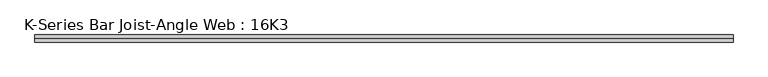
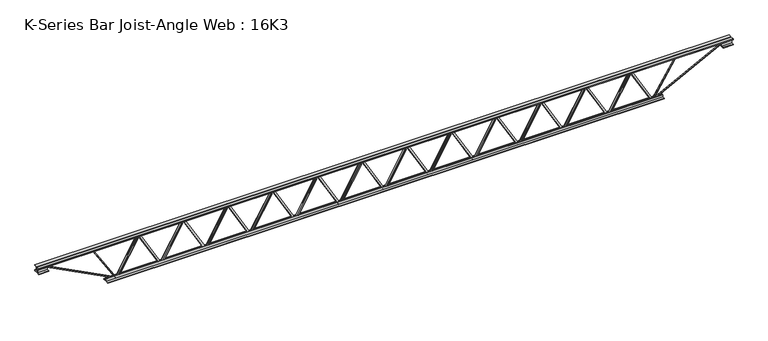
"""IFC4 building model written with IfcOpenShell, lengths in millimetres: beam geometry, K-Series Bar Joist-Angle Web : 16K3."""

from ifc_helpers import new_model, si_unit, frame, origin, place, context, project, spatial, polyline, outline, extrude, faceted_brep, source, transform, mapped, element, save


def k_series_bar_joist_angle_web_16k3_5579938f(model_context):
    return source(origin(), model_context, "Body", "SolidModel", [
        extrude(outline(polyline([(-4.7625, 4.7625001), (-4.7625, 0.0), (-17.4625, 0.0), (-17.4625, 4.7625001), (-4.7625, 4.7625001)])), frame((2277.9329481, 0.0, -165.1), z_axis=(-0.4971119927200672, 0.0, 0.8676863872931764), x_axis=(0.0, -1.0, 0.0)), (0.0, 0.0, 1.0), 380.552242),
        extrude(outline(polyline([(-200.025, 2309.8125), (-180.975, 2309.8125), (-180.975, 2308.9829373), (200.025, 2090.7016873), (200.025, 2072.48125), (180.975, 2072.48125), (180.975, 2079.6608127), (-200.025, 2297.9420627), (-200.025, 2309.8125)])), frame((0.0, 0.0, 0.0), z_axis=(0.0, 1.0, 0.0), x_axis=(0.0, 0.0, 1.0)), (0.0, 0.0, 1.0), 4.7625),
        faceted_brep([(1847.85, 0.0, -180.975), (1847.85, 0.0, -200.025), (1847.85, -4.7625, -200.025), (1847.85, -4.7625, -180.975), (1848.6795627, 0.0, -180.975), (2066.9608127, 0.0, 200.025), (2085.18125, 0.0, 200.025), (2085.18125, 0.0, 180.975), (2078.0016873, 0.0, 180.975), (1859.7204373, 0.0, -200.025), (1859.7204373, -4.7625, -200.025), (1879.7295519, -4.7625, -165.1), (1875.5971954, -4.7625, -162.7325041), (2064.7742788, -4.7625, 167.4674959), (2068.9066352, -4.7625, 165.1), (2078.0016873, -4.7625, 180.975), (2085.18125, -4.7625, 180.975), (2085.18125, -4.7625, 200.025), (2066.9608127, -4.7625, 200.025), (1848.6795627, -4.7625, -180.975), (2068.9066352, -17.4625, 165.1), (1879.7295519, -17.4625, -165.1), (1875.5971954, -17.4625, -162.7325041), (2064.7742788, -17.4625, 167.4674959)], [[[0, 1, 2, 3]], [[1, 0, 4, 5, 6, 7, 8, 9]], [[2, 1, 9, 10]], [[3, 2, 10, 11, 12, 13, 14, 15, 16, 17, 18, 19]], [[0, 3, 19, 4]], [[9, 8, 15, 14, 20, 21, 11, 10]], [[5, 4, 19, 18]], [[7, 6, 17, 16]], [[8, 7, 16, 15]], [[6, 5, 18, 17]], [[21, 22, 12, 11]], [[20, 14, 13, 23]], [[22, 21, 20, 23]], [[12, 22, 23, 13]]]),
        extrude(outline(polyline([(-4.7625, 4.7625001), (-4.7625, 0.0), (-17.4625, 0.0), (-17.4625, 4.7625001), (-4.7625, 4.7625001)])), frame((1815.9704481, 0.0, -165.1), z_axis=(-0.4971119927200672, 0.0, 0.8676863872931764), x_axis=(0.0, -1.0, 0.0)), (0.0, 0.0, 1.0), 380.552242),
        extrude(outline(polyline([(-200.025, 1847.85), (-180.975, 1847.85), (-180.975, 1847.0204373), (200.025, 1628.7391873), (200.025, 1610.51875), (180.975, 1610.51875), (180.975, 1617.6983127), (-200.025, 1835.9795627), (-200.025, 1847.85)])), frame((0.0, 0.0, 0.0), z_axis=(0.0, 1.0, 0.0), x_axis=(0.0, 0.0, 1.0)), (0.0, 0.0, 1.0), 4.7625),
        faceted_brep([(1385.8875, 0.0, -180.975), (1385.8875, 0.0, -200.025), (1385.8875, -4.7625, -200.025), (1385.8875, -4.7625, -180.975), (1386.7170627, 0.0, -180.975), (1604.9983127, 0.0, 200.025), (1623.21875, 0.0, 200.025), (1623.21875, 0.0, 180.975), (1616.0391873, 0.0, 180.975), (1397.7579373, 0.0, -200.025), (1397.7579373, -4.7625, -200.025), (1417.7670519, -4.7625, -165.1), (1413.6346954, -4.7625, -162.7325041), (1602.8117788, -4.7625, 167.4674959), (1606.9441352, -4.7625, 165.1), (1616.0391873, -4.7625, 180.975), (1623.21875, -4.7625, 180.975), (1623.21875, -4.7625, 200.025), (1604.9983127, -4.7625, 200.025), (1386.7170627, -4.7625, -180.975), (1606.9441352, -17.4625, 165.1), (1417.7670519, -17.4625, -165.1), (1413.6346954, -17.4625, -162.7325041), (1602.8117788, -17.4625, 167.4674959)], [[[0, 1, 2, 3]], [[1, 0, 4, 5, 6, 7, 8, 9]], [[2, 1, 9, 10]], [[3, 2, 10, 11, 12, 13, 14, 15, 16, 17, 18, 19]], [[0, 3, 19, 4]], [[9, 8, 15, 14, 20, 21, 11, 10]], [[5, 4, 19, 18]], [[7, 6, 17, 16]], [[8, 7, 16, 15]], [[6, 5, 18, 17]], [[21, 22, 12, 11]], [[20, 14, 13, 23]], [[22, 21, 20, 23]], [[12, 22, 23, 13]]]),
        extrude(outline(polyline([(-4.7625, 4.7625001), (-4.7625, 0.0), (-17.4625, 0.0), (-17.4625, 4.7625001), (-4.7625, 4.7625001)])), frame((1354.0079481, 0.0, -165.1), z_axis=(-0.4971119927200672, 0.0, 0.8676863872931764), x_axis=(0.0, -1.0, 0.0)), (0.0, 0.0, 1.0), 380.552242),
        extrude(outline(polyline([(-200.025, 1385.8875), (-180.975, 1385.8875), (-180.975, 1385.0579373), (200.025, 1166.7766873), (200.025, 1148.55625), (180.975, 1148.55625), (180.975, 1155.7358127), (-200.025, 1374.0170627), (-200.025, 1385.8875)])), frame((0.0, 0.0, 0.0), z_axis=(0.0, 1.0, 0.0), x_axis=(0.0, 0.0, 1.0)), (0.0, 0.0, 1.0), 4.7625),
        faceted_brep([(923.925, 0.0, -180.975), (923.925, 0.0, -200.025), (923.925, -4.7625, -200.025), (923.925, -4.7625, -180.975), (924.7545627, 0.0, -180.975), (1143.0358127, 0.0, 200.025), (1161.25625, 0.0, 200.025), (1161.25625, 0.0, 180.975), (1154.0766873, 0.0, 180.975), (935.7954373, 0.0, -200.025), (935.7954373, -4.7625, -200.025), (955.8045519, -4.7625, -165.1), (951.6721954, -4.7625, -162.7325041), (1140.8492788, -4.7625, 167.4674959), (1144.9816352, -4.7625, 165.1), (1154.0766873, -4.7625, 180.975), (1161.25625, -4.7625, 180.975), (1161.25625, -4.7625, 200.025), (1143.0358127, -4.7625, 200.025), (924.7545627, -4.7625, -180.975), (1144.9816352, -17.4625, 165.1), (955.8045519, -17.4625, -165.1), (951.6721954, -17.4625, -162.7325041), (1140.8492788, -17.4625, 167.4674959)], [[[0, 1, 2, 3]], [[1, 0, 4, 5, 6, 7, 8, 9]], [[2, 1, 9, 10]], [[3, 2, 10, 11, 12, 13, 14, 15, 16, 17, 18, 19]], [[0, 3, 19, 4]], [[9, 8, 15, 14, 20, 21, 11, 10]], [[5, 4, 19, 18]], [[7, 6, 17, 16]], [[8, 7, 16, 15]], [[6, 5, 18, 17]], [[21, 22, 12, 11]], [[20, 14, 13, 23]], [[22, 21, 20, 23]], [[12, 22, 23, 13]]]),
        extrude(outline(polyline([(-4.7625, 4.7625001), (-4.7625, 0.0), (-17.4625, 0.0), (-17.4625, 4.7625001), (-4.7625, 4.7625001)])), frame((892.0454481, 0.0, -165.1), z_axis=(-0.4971119927200672, 0.0, 0.8676863872931764), x_axis=(0.0, -1.0, 0.0)), (0.0, 0.0, 1.0), 380.552242),
        extrude(outline(polyline([(-200.025, 923.925), (-180.975, 923.925), (-180.975, 923.0954373), (200.025, 704.8141873), (200.025, 686.59375), (180.975, 686.59375), (180.975, 693.7733127), (-200.025, 912.0545627), (-200.025, 923.925)])), frame((0.0, 0.0, 0.0), z_axis=(0.0, 1.0, 0.0), x_axis=(0.0, 0.0, 1.0)), (0.0, 0.0, 1.0), 4.7625),
        faceted_brep([(461.9625, 0.0, -180.975), (461.9625, 0.0, -200.025), (461.9625, -4.7625, -200.025), (461.9625, -4.7625, -180.975), (462.7920627, 0.0, -180.975), (681.0733127, 0.0, 200.025), (699.29375, 0.0, 200.025), (699.29375, 0.0, 180.975), (692.1141873, 0.0, 180.975), (473.8329373, 0.0, -200.025), (473.8329373, -4.7625, -200.025), (493.8420519, -4.7625, -165.1), (489.7096954, -4.7625, -162.7325041), (678.8867788, -4.7625, 167.4674959), (683.0191352, -4.7625, 165.1), (692.1141873, -4.7625, 180.975), (699.29375, -4.7625, 180.975), (699.29375, -4.7625, 200.025), (681.0733127, -4.7625, 200.025), (462.7920627, -4.7625, -180.975), (683.0191352, -17.4625, 165.1), (493.8420519, -17.4625, -165.1), (489.7096954, -17.4625, -162.7325041), (678.8867788, -17.4625, 167.4674959)], [[[0, 1, 2, 3]], [[1, 0, 4, 5, 6, 7, 8, 9]], [[2, 1, 9, 10]], [[3, 2, 10, 11, 12, 13, 14, 15, 16, 17, 18, 19]], [[0, 3, 19, 4]], [[9, 8, 15, 14, 20, 21, 11, 10]], [[5, 4, 19, 18]], [[7, 6, 17, 16]], [[8, 7, 16, 15]], [[6, 5, 18, 17]], [[21, 22, 12, 11]], [[20, 14, 13, 23]], [[22, 21, 20, 23]], [[12, 22, 23, 13]]]),
        extrude(outline(polyline([(-4.7625, 4.7625001), (-4.7625, 0.0), (-17.4625, 0.0), (-17.4625, 4.7625001), (-4.7625, 4.7625001)])), frame((430.0829481, 0.0, -165.1), z_axis=(-0.4971119927200672, 0.0, 0.8676863872931764), x_axis=(0.0, -1.0, 0.0)), (0.0, 0.0, 1.0), 380.552242),
        extrude(outline(polyline([(-200.025, 461.9625), (-180.975, 461.9625), (-180.975, 461.1329373), (200.025, 242.8516873), (200.025, 224.63125), (180.975, 224.63125), (180.975, 231.8108127), (-200.025, 450.0920627), (-200.025, 461.9625)])), frame((0.0, 0.0, 0.0), z_axis=(0.0, 1.0, 0.0), x_axis=(0.0, 0.0, 1.0)), (0.0, 0.0, 1.0), 4.7625),
        faceted_brep([(0.0, 0.0, -180.975), (0.0, 0.0, -200.025), (0.0, -4.7625, -200.025), (0.0, -4.7625, -180.975), (0.8295627, 0.0, -180.975), (219.1108127, 0.0, 200.025), (237.33125, 0.0, 200.025), (237.33125, 0.0, 180.975), (230.1516873, 0.0, 180.975), (11.8704373, 0.0, -200.025), (11.8704373, -4.7625, -200.025), (31.8795519, -4.7625, -165.1), (27.7471954, -4.7625, -162.7325041), (216.9242788, -4.7625, 167.4674959), (221.0566352, -4.7625, 165.1), (230.1516873, -4.7625, 180.975), (237.33125, -4.7625, 180.975), (237.33125, -4.7625, 200.025), (219.1108127, -4.7625, 200.025), (0.8295627, -4.7625, -180.975), (221.0566352, -17.4625, 165.1), (31.8795519, -17.4625, -165.1), (27.7471954, -17.4625, -162.7325041), (216.9242788, -17.4625, 167.4674959)], [[[0, 1, 2, 3]], [[1, 0, 4, 5, 6, 7, 8, 9]], [[2, 1, 9, 10]], [[3, 2, 10, 11, 12, 13, 14, 15, 16, 17, 18, 19]], [[0, 3, 19, 4]], [[9, 8, 15, 14, 20, 21, 11, 10]], [[5, 4, 19, 18]], [[7, 6, 17, 16]], [[8, 7, 16, 15]], [[6, 5, 18, 17]], [[21, 22, 12, 11]], [[20, 14, 13, 23]], [[22, 21, 20, 23]], [[12, 22, 23, 13]]]),
        extrude(outline(polyline([(-4.7625, 4.7625001), (-4.7625, 0.0), (-17.4625, 0.0), (-17.4625, 4.7625001), (-4.7625, 4.7625001)])), frame((-31.8795519, 0.0, -165.1), z_axis=(-0.4971119927200672, 0.0, 0.8676863872931764), x_axis=(0.0, -1.0, 0.0)), (0.0, 0.0, 1.0), 380.552242),
        extrude(outline(polyline([(-200.025, 0.0), (-180.975, 0.0), (-180.975, -0.8295627), (200.025, -219.1108127), (200.025, -237.33125), (180.975, -237.33125), (180.975, -230.1516873), (-200.025, -11.8704373), (-200.025, 0.0)])), frame((0.0, 0.0, 0.0), z_axis=(0.0, 1.0, 0.0), x_axis=(0.0, 0.0, 1.0)), (0.0, 0.0, 1.0), 4.7625),
        faceted_brep([(-461.9625, 0.0, -180.975), (-461.9625, 0.0, -200.025), (-461.9625, -4.7625, -200.025), (-461.9625, -4.7625, -180.975), (-461.1329373, 0.0, -180.975), (-242.8516873, 0.0, 200.025), (-224.63125, 0.0, 200.025), (-224.63125, 0.0, 180.975), (-231.8108127, 0.0, 180.975), (-450.0920627, 0.0, -200.025), (-450.0920627, -4.7625, -200.025), (-430.0829481, -4.7625, -165.1), (-434.2153046, -4.7625, -162.7325041), (-245.0382212, -4.7625, 167.4674959), (-240.9058648, -4.7625, 165.1), (-231.8108127, -4.7625, 180.975), (-224.63125, -4.7625, 180.975), (-224.63125, -4.7625, 200.025), (-242.8516873, -4.7625, 200.025), (-461.1329373, -4.7625, -180.975), (-240.9058648, -17.4625, 165.1), (-430.0829481, -17.4625, -165.1), (-434.2153046, -17.4625, -162.7325041), (-245.0382212, -17.4625, 167.4674959)], [[[0, 1, 2, 3]], [[1, 0, 4, 5, 6, 7, 8, 9]], [[2, 1, 9, 10]], [[3, 2, 10, 11, 12, 13, 14, 15, 16, 17, 18, 19]], [[0, 3, 19, 4]], [[9, 8, 15, 14, 20, 21, 11, 10]], [[5, 4, 19, 18]], [[7, 6, 17, 16]], [[8, 7, 16, 15]], [[6, 5, 18, 17]], [[21, 22, 12, 11]], [[20, 14, 13, 23]], [[22, 21, 20, 23]], [[12, 22, 23, 13]]]),
        extrude(outline(polyline([(-4.7625, 4.7625001), (-4.7625, 0.0), (-17.4625, 0.0), (-17.4625, 4.7625001), (-4.7625, 4.7625001)])), frame((-493.8420519, 0.0, -165.1), z_axis=(-0.4971119927200672, 0.0, 0.8676863872931764), x_axis=(0.0, -1.0, 0.0)), (0.0, 0.0, 1.0), 380.552242),
        extrude(outline(polyline([(-200.025, -461.9625), (-180.975, -461.9625), (-180.975, -462.7920627), (200.025, -681.0733127), (200.025, -699.29375), (180.975, -699.29375), (180.975, -692.1141873), (-200.025, -473.8329373), (-200.025, -461.9625)])), frame((0.0, 0.0, 0.0), z_axis=(0.0, 1.0, 0.0), x_axis=(0.0, 0.0, 1.0)), (0.0, 0.0, 1.0), 4.7625),
        faceted_brep([(-923.925, 0.0, -180.975), (-923.925, 0.0, -200.025), (-923.925, -4.7625, -200.025), (-923.925, -4.7625, -180.975), (-923.0954373, 0.0, -180.975), (-704.8141873, 0.0, 200.025), (-686.59375, 0.0, 200.025), (-686.59375, 0.0, 180.975), (-693.7733127, 0.0, 180.975), (-912.0545627, 0.0, -200.025), (-912.0545627, -4.7625, -200.025), (-892.0454481, -4.7625, -165.1), (-896.1778046, -4.7625, -162.7325041), (-707.0007212, -4.7625, 167.4674959), (-702.8683648, -4.7625, 165.1), (-693.7733127, -4.7625, 180.975), (-686.59375, -4.7625, 180.975), (-686.59375, -4.7625, 200.025), (-704.8141873, -4.7625, 200.025), (-923.0954373, -4.7625, -180.975), (-702.8683648, -17.4625, 165.1), (-892.0454481, -17.4625, -165.1), (-896.1778046, -17.4625, -162.7325041), (-707.0007212, -17.4625, 167.4674959)], [[[0, 1, 2, 3]], [[1, 0, 4, 5, 6, 7, 8, 9]], [[2, 1, 9, 10]], [[3, 2, 10, 11, 12, 13, 14, 15, 16, 17, 18, 19]], [[0, 3, 19, 4]], [[9, 8, 15, 14, 20, 21, 11, 10]], [[5, 4, 19, 18]], [[7, 6, 17, 16]], [[8, 7, 16, 15]], [[6, 5, 18, 17]], [[21, 22, 12, 11]], [[20, 14, 13, 23]], [[22, 21, 20, 23]], [[12, 22, 23, 13]]]),
        extrude(outline(polyline([(-4.7625, 4.7625001), (-4.7625, 0.0), (-17.4625, 0.0), (-17.4625, 4.7625001), (-4.7625, 4.7625001)])), frame((-955.8045519, 0.0, -165.1), z_axis=(-0.4971119927200672, 0.0, 0.8676863872931764), x_axis=(0.0, -1.0, 0.0)), (0.0, 0.0, 1.0), 380.552242),
        extrude(outline(polyline([(-200.025, -923.925), (-180.975, -923.925), (-180.975, -924.7545627), (200.025, -1143.0358127), (200.025, -1161.25625), (180.975, -1161.25625), (180.975, -1154.0766873), (-200.025, -935.7954373), (-200.025, -923.925)])), frame((0.0, 0.0, 0.0), z_axis=(0.0, 1.0, 0.0), x_axis=(0.0, 0.0, 1.0)), (0.0, 0.0, 1.0), 4.7625),
        faceted_brep([(-1385.8875, 0.0, -180.975), (-1385.8875, 0.0, -200.025), (-1385.8875, -4.7625, -200.025), (-1385.8875, -4.7625, -180.975), (-1385.0579373, 0.0, -180.975), (-1166.7766873, 0.0, 200.025), (-1148.55625, 0.0, 200.025), (-1148.55625, 0.0, 180.975), (-1155.7358127, 0.0, 180.975), (-1374.0170627, 0.0, -200.025), (-1374.0170627, -4.7625, -200.025), (-1354.0079481, -4.7625, -165.1), (-1358.1403046, -4.7625, -162.7325041), (-1168.9632212, -4.7625, 167.4674959), (-1164.8308648, -4.7625, 165.1), (-1155.7358127, -4.7625, 180.975), (-1148.55625, -4.7625, 180.975), (-1148.55625, -4.7625, 200.025), (-1166.7766873, -4.7625, 200.025), (-1385.0579373, -4.7625, -180.975), (-1164.8308648, -17.4625, 165.1), (-1354.0079481, -17.4625, -165.1), (-1358.1403046, -17.4625, -162.7325041), (-1168.9632212, -17.4625, 167.4674959)], [[[0, 1, 2, 3]], [[1, 0, 4, 5, 6, 7, 8, 9]], [[2, 1, 9, 10]], [[3, 2, 10, 11, 12, 13, 14, 15, 16, 17, 18, 19]], [[0, 3, 19, 4]], [[9, 8, 15, 14, 20, 21, 11, 10]], [[5, 4, 19, 18]], [[7, 6, 17, 16]], [[8, 7, 16, 15]], [[6, 5, 18, 17]], [[21, 22, 12, 11]], [[20, 14, 13, 23]], [[22, 21, 20, 23]], [[12, 22, 23, 13]]]),
        extrude(outline(polyline([(-4.7625, 4.7625001), (-4.7625, 0.0), (-17.4625, 0.0), (-17.4625, 4.7625001), (-4.7625, 4.7625001)])), frame((-1417.7670519, 0.0, -165.1), z_axis=(-0.4971119927200672, 0.0, 0.8676863872931764), x_axis=(0.0, -1.0, 0.0)), (0.0, 0.0, 1.0), 380.552242),
        extrude(outline(polyline([(-200.025, -1385.8875), (-180.975, -1385.8875), (-180.975, -1386.7170627), (200.025, -1604.9983127), (200.025, -1623.21875), (180.975, -1623.21875), (180.975, -1616.0391873), (-200.025, -1397.7579373), (-200.025, -1385.8875)])), frame((0.0, 0.0, 0.0), z_axis=(0.0, 1.0, 0.0), x_axis=(0.0, 0.0, 1.0)), (0.0, 0.0, 1.0), 4.7625),
        faceted_brep([(-1847.85, 0.0, -180.975), (-1847.85, 0.0, -200.025), (-1847.85, -4.7625, -200.025), (-1847.85, -4.7625, -180.975), (-1847.0204373, 0.0, -180.975), (-1628.7391873, 0.0, 200.025), (-1610.51875, 0.0, 200.025), (-1610.51875, 0.0, 180.975), (-1617.6983127, 0.0, 180.975), (-1835.9795627, 0.0, -200.025), (-1835.9795627, -4.7625, -200.025), (-1815.9704481, -4.7625, -165.1), (-1820.1028046, -4.7625, -162.7325041), (-1630.9257212, -4.7625, 167.4674959), (-1626.7933648, -4.7625, 165.1), (-1617.6983127, -4.7625, 180.975), (-1610.51875, -4.7625, 180.975), (-1610.51875, -4.7625, 200.025), (-1628.7391873, -4.7625, 200.025), (-1847.0204373, -4.7625, -180.975), (-1626.7933648, -17.4625, 165.1), (-1815.9704481, -17.4625, -165.1), (-1820.1028046, -17.4625, -162.7325041), (-1630.9257212, -17.4625, 167.4674959)], [[[0, 1, 2, 3]], [[1, 0, 4, 5, 6, 7, 8, 9]], [[2, 1, 9, 10]], [[3, 2, 10, 11, 12, 13, 14, 15, 16, 17, 18, 19]], [[0, 3, 19, 4]], [[9, 8, 15, 14, 20, 21, 11, 10]], [[5, 4, 19, 18]], [[7, 6, 17, 16]], [[8, 7, 16, 15]], [[6, 5, 18, 17]], [[21, 22, 12, 11]], [[20, 14, 13, 23]], [[22, 21, 20, 23]], [[12, 22, 23, 13]]]),
        extrude(outline(polyline([(-4.7625, 4.7625001), (-4.7625, 0.0), (-17.4625, 0.0), (-17.4625, 4.7625001), (-4.7625, 4.7625001)])), frame((-1879.7295519, 0.0, -165.1), z_axis=(-0.4971119927200672, 0.0, 0.8676863872931764), x_axis=(0.0, -1.0, 0.0)), (0.0, 0.0, 1.0), 380.552242),
        extrude(outline(polyline([(-200.025, -1847.85), (-180.975, -1847.85), (-180.975, -1848.6795627), (200.025, -2066.9608127), (200.025, -2085.18125), (180.975, -2085.18125), (180.975, -2078.0016873), (-200.025, -1859.7204373), (-200.025, -1847.85)])), frame((0.0, 0.0, 0.0), z_axis=(0.0, 1.0, 0.0), x_axis=(0.0, 0.0, 1.0)), (0.0, 0.0, 1.0), 4.7625),
        faceted_brep([(-2309.8125, 0.0, -180.975), (-2309.8125, 0.0, -200.025), (-2309.8125, -4.7625, -200.025), (-2309.8125, -4.7625, -180.975), (-2308.9829373, 0.0, -180.975), (-2090.7016873, 0.0, 200.025), (-2072.48125, 0.0, 200.025), (-2072.48125, 0.0, 180.975), (-2079.6608127, 0.0, 180.975), (-2297.9420627, 0.0, -200.025), (-2297.9420627, -4.7625, -200.025), (-2277.9329481, -4.7625, -165.1), (-2282.0653046, -4.7625, -162.7325041), (-2092.8882212, -4.7625, 167.4674959), (-2088.7558648, -4.7625, 165.1), (-2079.6608127, -4.7625, 180.975), (-2072.48125, -4.7625, 180.975), (-2072.48125, -4.7625, 200.025), (-2090.7016873, -4.7625, 200.025), (-2308.9829373, -4.7625, -180.975), (-2088.7558648, -17.4625, 165.1), (-2277.9329481, -17.4625, -165.1), (-2282.0653046, -17.4625, -162.7325041), (-2092.8882212, -17.4625, 167.4674959)], [[[0, 1, 2, 3]], [[1, 0, 4, 5, 6, 7, 8, 9]], [[2, 1, 9, 10]], [[3, 2, 10, 11, 12, 13, 14, 15, 16, 17, 18, 19]], [[0, 3, 19, 4]], [[9, 8, 15, 14, 20, 21, 11, 10]], [[5, 4, 19, 18]], [[7, 6, 17, 16]], [[8, 7, 16, 15]], [[6, 5, 18, 17]], [[21, 22, 12, 11]], [[20, 14, 13, 23]], [[22, 21, 20, 23]], [[12, 22, 23, 13]]]),
        extrude(outline(polyline([(-4.7625, 4.7625001), (-4.7625, 0.0), (-17.4625, 0.0), (-17.4625, 4.7625001), (-4.7625, 4.7625001)])), frame((2739.8954481, 0.0, -165.1), z_axis=(-0.4971119927200672, 0.0, 0.8676863872931764), x_axis=(0.0, -1.0, 0.0)), (0.0, 0.0, 1.0), 380.552242),
        extrude(outline(polyline([(-200.025, 2771.775), (-180.975, 2771.775), (-180.975, 2770.9454373), (200.025, 2552.6641873), (200.025, 2534.44375), (180.975, 2534.44375), (180.975, 2541.6233127), (-200.025, 2759.9045627), (-200.025, 2771.775)])), frame((0.0, 0.0, 0.0), z_axis=(0.0, 1.0, 0.0), x_axis=(0.0, 0.0, 1.0)), (0.0, 0.0, 1.0), 4.7625),
        faceted_brep([(2309.8125, 0.0, -180.975), (2309.8125, 0.0, -200.025), (2309.8125, -4.7625, -200.025), (2309.8125, -4.7625, -180.975), (2310.6420627, 0.0, -180.975), (2528.9233127, 0.0, 200.025), (2547.14375, 0.0, 200.025), (2547.14375, 0.0, 180.975), (2539.9641873, 0.0, 180.975), (2321.6829373, 0.0, -200.025), (2321.6829373, -4.7625, -200.025), (2341.6920519, -4.7625, -165.1), (2337.5596954, -4.7625, -162.7325041), (2526.7367788, -4.7625, 167.4674959), (2530.8691352, -4.7625, 165.1), (2539.9641873, -4.7625, 180.975), (2547.14375, -4.7625, 180.975), (2547.14375, -4.7625, 200.025), (2528.9233127, -4.7625, 200.025), (2310.6420627, -4.7625, -180.975), (2530.8691352, -17.4625, 165.1), (2341.6920519, -17.4625, -165.1), (2337.5596954, -17.4625, -162.7325041), (2526.7367788, -17.4625, 167.4674959)], [[[0, 1, 2, 3]], [[1, 0, 4, 5, 6, 7, 8, 9]], [[2, 1, 9, 10]], [[3, 2, 10, 11, 12, 13, 14, 15, 16, 17, 18, 19]], [[0, 3, 19, 4]], [[9, 8, 15, 14, 20, 21, 11, 10]], [[5, 4, 19, 18]], [[7, 6, 17, 16]], [[8, 7, 16, 15]], [[6, 5, 18, 17]], [[21, 22, 12, 11]], [[20, 14, 13, 23]], [[22, 21, 20, 23]], [[12, 22, 23, 13]]]),
        extrude(outline(polyline([(-4.7625, 4.7625001), (-4.7625, 0.0), (-17.4625, 0.0), (-17.4625, 4.7625001), (-4.7625, 4.7625001)])), frame((-2341.6920519, 0.0, -165.1), z_axis=(-0.4971119927200672, 0.0, 0.8676863872931764), x_axis=(0.0, -1.0, 0.0)), (0.0, 0.0, 1.0), 380.552242),
        extrude(outline(polyline([(-200.025, -2309.8125), (-180.975, -2309.8125), (-180.975, -2310.6420627), (200.025, -2528.9233127), (200.025, -2547.14375), (180.975, -2547.14375), (180.975, -2539.9641873), (-200.025, -2321.6829373), (-200.025, -2309.8125)])), frame((0.0, 0.0, 0.0), z_axis=(0.0, 1.0, 0.0), x_axis=(0.0, 0.0, 1.0)), (0.0, 0.0, 1.0), 4.7625),
        faceted_brep([(-2771.775, 0.0, -180.975), (-2771.775, 0.0, -200.025), (-2771.775, -4.7625, -200.025), (-2771.775, -4.7625, -180.975), (-2770.9454373, 0.0, -180.975), (-2552.6641873, 0.0, 200.025), (-2534.44375, 0.0, 200.025), (-2534.44375, 0.0, 180.975), (-2541.6233127, 0.0, 180.975), (-2759.9045627, 0.0, -200.025), (-2759.9045627, -4.7625, -200.025), (-2739.8954481, -4.7625, -165.1), (-2744.0278046, -4.7625, -162.7325041), (-2554.8507212, -4.7625, 167.4674959), (-2550.7183648, -4.7625, 165.1), (-2541.6233127, -4.7625, 180.975), (-2534.44375, -4.7625, 180.975), (-2534.44375, -4.7625, 200.025), (-2552.6641873, -4.7625, 200.025), (-2770.9454373, -4.7625, -180.975), (-2550.7183648, -17.4625, 165.1), (-2739.8954481, -17.4625, -165.1), (-2744.0278046, -17.4625, -162.7325041), (-2554.8507212, -17.4625, 167.4674959)], [[[0, 1, 2, 3]], [[1, 0, 4, 5, 6, 7, 8, 9]], [[2, 1, 9, 10]], [[3, 2, 10, 11, 12, 13, 14, 15, 16, 17, 18, 19]], [[0, 3, 19, 4]], [[9, 8, 15, 14, 20, 21, 11, 10]], [[5, 4, 19, 18]], [[7, 6, 17, 16]], [[8, 7, 16, 15]], [[6, 5, 18, 17]], [[21, 22, 12, 11]], [[20, 14, 13, 23]], [[22, 21, 20, 23]], [[12, 22, 23, 13]]]),
        extrude(outline(polyline([(4.7625, 203.2), (36.5125, 203.2), (36.5125, 196.85), (11.1125, 196.85), (11.1125, 171.45), (4.7625, 171.45), (4.7625, 203.2)])), frame((-3584.575, 0.0, 0.0), z_axis=(1.0, 0.0, 0.0), x_axis=(0.0, 1.0, 0.0)), (0.0, 0.0, 1.0), 7169.15),
        extrude(outline(polyline([(-4.7625, 203.2), (-4.7625, 171.45), (-11.1125, 171.45), (-11.1125, 196.85), (-36.5125, 196.85), (-36.5125, 203.2), (-4.7625, 203.2)])), frame((-3584.575, 0.0, 0.0), z_axis=(1.0, 0.0, 0.0), x_axis=(0.0, 1.0, 0.0)), (0.0, 0.0, 1.0), 7169.15),
        extrude(outline(polyline([(-4.7625, 139.7), (-36.5125, 139.7), (-36.5125, 146.05), (-11.1125, 146.05), (-11.1125, 171.45), (-4.7625, 171.45), (-4.7625, 139.7)])), frame((-3584.575, 0.0, 0.0), z_axis=(1.0, 0.0, 0.0), x_axis=(0.0, 1.0, 0.0)), (0.0, 0.0, 1.0), 101.6),
        extrude(outline(polyline([(36.5125, 139.7), (4.7625, 139.7), (4.7625, 171.45), (11.1125, 171.45), (11.1125, 146.05), (36.5125, 146.05), (36.5125, 139.7)])), frame((-3584.575, 0.0, 0.0), z_axis=(1.0, 0.0, 0.0), x_axis=(0.0, 1.0, 0.0)), (0.0, 0.0, 1.0), 101.6),
        extrude(outline(polyline([(4.7625, 139.7), (4.7625, 171.45), (11.1125, 171.45), (11.1125, 146.05), (36.5125, 146.05), (36.5125, 139.7), (4.7625, 139.7)])), frame((3482.975, 0.0, 0.0), z_axis=(1.0, 0.0, 0.0), x_axis=(0.0, 1.0, 0.0)), (0.0, 0.0, 1.0), 101.6),
        extrude(outline(polyline([(-4.7625, 139.7), (-36.5125, 139.7), (-36.5125, 146.05), (-11.1125, 146.05), (-11.1125, 171.45), (-4.7625, 171.45), (-4.7625, 139.7)])), frame((3482.975, 0.0, 0.0), z_axis=(1.0, 0.0, 0.0), x_axis=(0.0, 1.0, 0.0)), (0.0, 0.0, 1.0), 101.6),
        extrude(outline(polyline([(4.7625, -203.2), (4.7625, -171.45), (11.1125, -171.45), (11.1125, -196.85), (36.5125, -196.85), (36.5125, -203.2), (4.7625, -203.2)])), frame((-2873.375, 0.0, 0.0), z_axis=(1.0, 0.0, 0.0), x_axis=(0.0, 1.0, 0.0)), (0.0, 0.0, 1.0), 5746.75),
        extrude(outline(polyline([(-4.7625, -203.2), (-36.5125, -203.2), (-36.5125, -196.85), (-11.1125, -196.85), (-11.1125, -171.45), (-4.7625, -171.45), (-4.7625, -203.2)])), frame((-2873.375, 0.0, 0.0), z_axis=(1.0, 0.0, 0.0), x_axis=(0.0, 1.0, 0.0)), (0.0, 0.0, 1.0), 5746.75),
        extrude(outline(polyline([(4.7625, 4.7625), (4.7625, -4.7625), (-4.7625, -4.7625), (-4.7625, 4.7625), (4.7625, 4.7625)])), frame((2771.775, 0.0, -196.85), z_axis=(0.531311248102046, 0.0, 0.8471766980035783), x_axis=(0.0, -1.0, 0.0)), (0.0, 0.0, 1.0), 434.7381141),
        extrude(outline(polyline([(4.7625, 4.7625), (4.7625, -4.7625), (-4.7625, -4.7625), (-4.7625, 4.7625), (4.7625, 4.7625)])), frame((-2771.775, 0.0, -196.85), z_axis=(-0.5313112481020159, 0.0, 0.8471766980035973), x_axis=(0.0, -1.0, 0.0)), (0.0, 0.0, 1.0), 434.7381141),
        extrude(outline(polyline([(0.0, -9.525), (0.0, 0.0), (800.9059433, 0.0), (800.9059433, -9.525), (0.0, -9.525)])), frame((3485.1650559, -4.7625, 167.2209266), z_axis=(-0.4598542476610159, 0.0, 0.887994409277514), x_axis=(-0.887994409277514, 0.0, -0.4598542476610159)), (0.0, 0.0, 1.0), 9.525),
        extrude(outline(polyline([(0.0, -9.525), (0.0, 0.0), (800.9059433, 0.0), (800.9059433, -9.525), (0.0, -9.525)])), frame((-3485.1650559, 4.7625, 167.2209266), z_axis=(0.4598542476610131, 0.0, 0.8879944092775155), x_axis=(0.8879944092775155, 0.0, -0.4598542476610131)), (0.0, 0.0, 1.0), 9.525),
    ])


if __name__ == "__main__":
    model = new_model("IFC4")
    model_context = context("Model", 3, world=origin())
    ifc_project = project(units=[si_unit("LENGTHUNIT", "METRE", prefix="MILLI")], contexts=[model_context])
    site = spatial("IfcSite", under=ifc_project)
    building = spatial("IfcBuilding", under=site)
    placement = place(None, origin())
    k_series_bar_joist_angle_web_16k3_shape = k_series_bar_joist_angle_web_16k3_5579938f(model_context)
    element("IfcBeam", 1, ObjectType="K-Series Bar Joist-Angle Web : 16K3", at=placement, inside=building, context=model_context, shape_type="MappedRepresentation", body=[
        mapped(k_series_bar_joist_angle_web_16k3_shape, transform((0.0, 0.0, 0.0), x_axis=(1.0, 0.0, 0.0), y_axis=(0.0, 1.0, 0.0), z_axis=(0.0, 0.0, 1.0))),
    ])
    save(model, "model.ifc")
